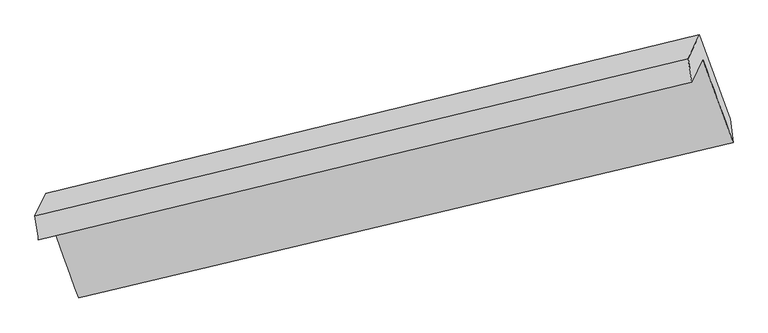
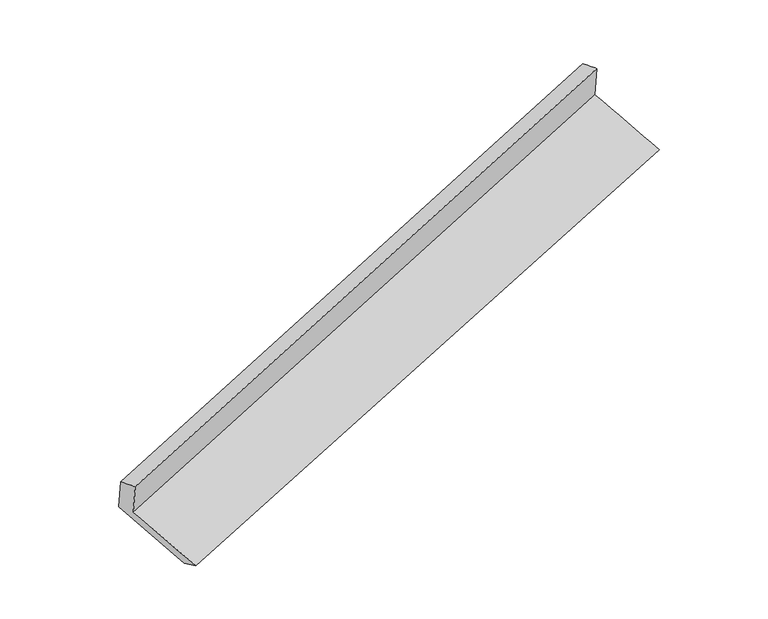
"""IFC4 building model written with IfcOpenShell, lengths in millimetres: proxy geometry."""

from ifc_helpers import new_model, si_unit, frame, origin, place, context, project, spatial, source, transform, mapped, element, save
from ifc_brep_helpers import plane_surface, spline_surface, advanced_brep


def generic_models_8461686c(model_context):
    return source(origin(), model_context, "Body", "AdvancedBrep", [
        advanced_brep(
        [(-5229.1478506, -1904.7476858, 1146.0627219), (-5020.2845128, -2481.3394845, 930.6005494), (-343.0972716, -1369.7705116, 2442.8482382), (-559.6121799, -773.2379304, 2665.6698242), (-5306.3836063, -2066.9253139, 1505.1910631), (-638.7639502, -939.4387561, 3033.7071886), (-5331.8974082, -1893.6635696, 1454.9637808), (-663.8769777, -768.9682801, 2984.0204826), (-5255.318162, -1732.8644629, 1098.8880563), (-583.3737814, -599.9297653, 2609.699301), (-5035.964771, -2334.8254916, 869.9320915), (-364.5106904, -1202.9319585, 2384.4611341)],
        [
            (0, 1),
            (1, 2),
            (2, 3),
            (3, 0),
            (4, 0),
            (3, 5),
            (5, 4),
            (6, 4),
            (5, 7),
            (7, 6),
            (8, 6),
            (7, 9),
            (9, 8),
            (10, 8),
            (9, 11),
            (11, 10),
            (1, 10),
            (11, 2),
        ],
        [
            spline_surface(1, 1, [[(-5229.1478506, -1904.7476858, 1146.0627219), (-559.6121799, -773.2379304, 2665.6698242)], [(-5020.2845128, -2481.3394845, 930.6005494), (-343.0972716, -1369.7705116, 2442.8482382)]], [2, 2], [2, 2], [0.0, 1.0], [0.0, 1.0]),
            plane_surface(frame((-5267.7657285, -1985.8364999, 1325.6268925), z_axis=(0.3226114586491423, -0.8867471077355151, -0.33106104221271926), x_axis=(0.1923454230303854, 0.40388190969857013, -0.8943615830621854))),
            spline_surface(1, 1, [[(-5331.8974082, -1893.6635696, 1454.9637808), (-663.8769777, -768.9682801, 2984.0204826)], [(-5306.3836063, -2066.9253139, 1505.1910631), (-638.7639502, -939.4387561, 3033.7071886)]], [2, 2], [2, 2], [0.0, 1.0], [0.0, 1.0]),
            plane_surface(frame((-5293.6077851, -1813.2640162, 1276.9259186), z_axis=(-0.3221653367403174, 0.8868552327684854, 0.3312058150367436), x_axis=(-0.19234542303038554, -0.4038819096985706, 0.894361583062185))),
            spline_surface(1, 1, [[(-5035.964771, -2334.8254916, 869.9320915), (-364.5106904, -1202.9319585, 2384.4611341)], [(-5255.318162, -1732.8644629, 1098.8880563), (-583.3737814, -599.9297653, 2609.699301)]], [2, 2], [2, 2], [0.0, 1.0], [0.0, 1.0]),
            spline_surface(1, 1, [[(-5020.2845128, -2481.3394845, 930.6005494), (-343.0972716, -1369.7705116, 2442.8482382)], [(-5035.964771, -2334.8254916, 869.9320915), (-364.5106904, -1202.9319585, 2384.4611341)]], [2, 2], [2, 2], [0.0, 1.0], [0.0, 1.0]),
            plane_surface(frame((-525.5391419, -942.3795337, 2686.7343615), z_axis=(0.9270254818796109, 0.2241834914300665, 0.300608579578329), x_axis=(-0.19234542303038554, -0.4038819096985706, 0.894361583062185))),
            plane_surface(frame((-5196.4993852, -2069.0610014, 1167.6063772), z_axis=(-0.927228596938502, -0.22362332348982378, -0.30039929795327863), x_axis=(-0.32132595173546813, 0.8870580658612971, 0.3314779337025473))),
        ],
        [
            (0, [[1, 2, 3, 4]]),
            (1, [[5, -4, 6, 7]]),
            (2, [[8, -7, 9, 10]]),
            (3, [[11, -10, 12, 13]]),
            (4, [[14, -13, 15, 16]]),
            (5, [[17, -16, 18, -2]]),
            (6, [[-12, -9, -6, -3, -18, -15]]),
            (7, [[-1, -5, -8, -11, -14, -17]]),
        ],
    ),
    ])


if __name__ == "__main__":
    model = new_model("IFC4")
    model_context = context("Model", 3, world=origin())
    ifc_project = project(units=[si_unit("LENGTHUNIT", "METRE", prefix="MILLI")], contexts=[model_context])
    site = spatial("IfcSite", under=ifc_project)
    building = spatial("IfcBuilding", under=site)
    placement = place(None, origin())
    generic_models_shape = generic_models_8461686c(model_context)
    element("IfcBuildingElementProxy", 1, Name="Generic Models", at=placement, inside=building, context=model_context, shape_type="MappedRepresentation", body=[
        mapped(generic_models_shape, transform((0.0, 0.0, 0.0), x_axis=(1.0, 0.0, 0.0), y_axis=(0.0, 1.0, 0.0), z_axis=(0.0, 0.0, 1.0))),
    ])
    save(model, "model.ifc")
